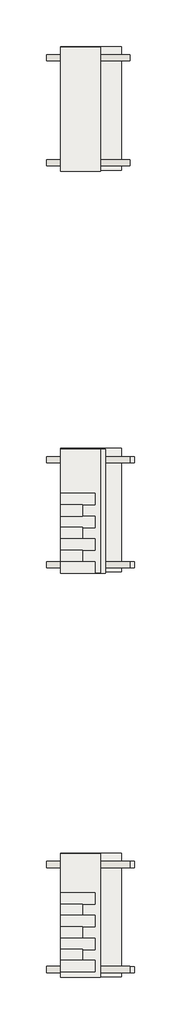
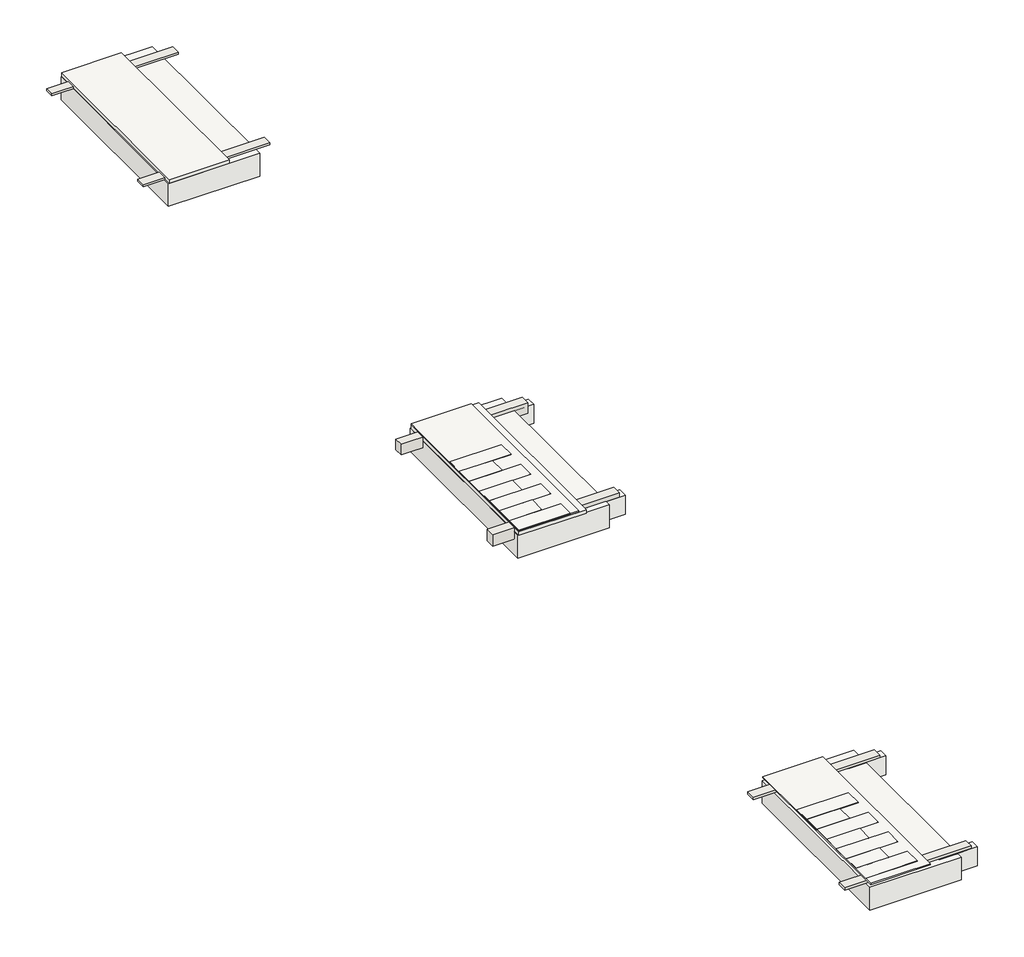
# One storey: 21 slabs, 6 walls, 4 coverings.
"""IFC4 building model written with IfcOpenShell, lengths in millimetres."""

from ifc_helpers import new_model, si_unit, frame, origin, place, context, project, spatial, polyline, outline, extrude, element, save

model = new_model("IFC4")

# Units and contexts
model_context = context("Model", 3, world=origin())
ifc_project = project(units=[si_unit("LENGTHUNIT", "METRE", prefix="MILLI")], contexts=[model_context])

# Site, building, storey
site = spatial("IfcSite", under=ifc_project)
building = spatial("IfcBuilding", under=site)
storey = spatial("IfcBuildingStorey", under=building, Elevation=0.0)

# Coverings
placement = place(None, origin())
element("IfcCovering", 1, at=placement, inside=storey, context=model_context, shape_type="SweptSolid", body=[
    extrude(outline(polyline([(-21506.7749546, -1147.4236855), (-22406.7749546, -1147.4236855), (-22406.7749546, 1657.3048176), (-21506.7749546, 1657.3048176), (-21506.7749546, -1147.4236855)])), frame((0.0, 0.0, 840.0), z_axis=(0.0, 0.0, 1.0), x_axis=(1.0, 0.0, 0.0)), (0.0, 0.0, 1.0), 57.0),
])
element("IfcCovering", 2, at=placement, inside=storey, context=model_context, shape_type="SweptSolid", body=[
    extrude(outline(polyline([(-21506.7749546, -10253.8565694), (-22406.7749546, -10253.8565694), (-22406.7749546, -7449.1280663), (-21506.7749546, -7449.1280663), (-21506.7749546, -10253.8565694)])), frame((0.0, 0.0, 816.7773467), z_axis=(0.0, 0.0, 1.0), x_axis=(1.0, 0.0, 0.0)), (0.0, 0.0, 1.0), 19.0),
])
element("IfcCovering", 3, at=placement, inside=storey, context=model_context, shape_type="SweptSolid", body=[
    extrude(outline(polyline([(-21506.7749546, -19416.693386), (-22406.7749546, -19416.693386), (-22406.7749546, -16611.964883), (-21506.7749546, -16611.964883), (-21506.7749546, -19416.693386)])), frame((0.0, 0.0, 763.0953295), z_axis=(0.0, 0.0, 1.0), x_axis=(1.0, 0.0, 0.0)), (0.0, 0.0, 1.0), 19.0),
])
element("IfcCovering", 4, at=placement, inside=storey, context=model_context, shape_type="SweptSolid", body=[
    extrude(outline(polyline([(-21391.6219224, -10254.9697708), (-22406.7749546, -10254.9697708), (-22406.7749546, -7450.2412677), (-21391.6219224, -7450.2412677), (-21391.6219224, -10254.9697708)])), frame((0.0, 0.0, 760.0), z_axis=(0.0, 0.0, 1.0), x_axis=(1.0, 0.0, 0.0)), (0.0, 0.0, 1.0), 57.0),
])

# Slabs
element("IfcSlab", 5, at=placement, inside=storey, context=model_context, shape_type="SweptSolid", body=[
    extrude(outline(polyline([(-21031.6219224, 1672.338655), (-21031.6219224, -1127.661345), (-22406.7749546, -1127.661345), (-22406.7749546, 1672.338655), (-21031.6219224, 1672.338655)])), frame((0.0, 0.0, 458.0), z_axis=(0.0, 0.0, 1.0), x_axis=(1.0, 0.0, 0.0)), (0.0, 0.0, 1.0), 362.0),
])
element("IfcSlab", 6, at=placement, inside=storey, context=model_context, shape_type="SweptSolid", body=[
    extrude(outline(polyline([(-21031.6219224, -7429.4968101), (-21031.6219224, -10229.4968101), (-22406.7749546, -10229.4968101), (-22406.7749546, -7429.4968101), (-21031.6219224, -7429.4968101)])), frame((0.0, 0.0, 386.4168615), z_axis=(0.0, 0.0, 1.0), x_axis=(1.0, 0.0, 0.0)), (0.0, 0.0, 1.0), 362.0),
])
element("IfcSlab", 7, at=placement, inside=storey, context=model_context, shape_type="SweptSolid", body=[
    extrude(outline(polyline([(-21631.6219224, -9998.2308192), (-21631.6219224, -10256.0447777), (-22406.7749546, -10256.0447777), (-22406.7749546, -9998.2308192), (-21631.6219224, -9998.2308192)])), frame((0.0, 0.0, 838.0), z_axis=(0.0, 0.0, 1.0), x_axis=(1.0, 0.0, 0.0)), (0.0, 0.0, 1.0), 2.0),
])
element("IfcSlab", 8, at=placement, inside=storey, context=model_context, shape_type="SweptSolid", body=[
    extrude(outline(polyline([(-20738.3478009, -7615.5337669), (-20738.3478009, -7755.5337669), (-21313.5008331, -7755.5337669), (-21313.5008331, -7615.5337669), (-20738.3478009, -7615.5337669)])), frame((0.0, 0.0, 445.0), z_axis=(0.0, 0.0, 1.0), x_axis=(1.0, 0.0, 0.0)), (0.0, 0.0, 1.0), 300.0),
])
element("IfcSlab", 9, at=placement, inside=storey, context=model_context, shape_type="SweptSolid", body=[
    extrude(outline(polyline([(-20738.3478009, -9996.1467846), (-20738.3478009, -10136.1467846), (-21313.5008331, -10136.1467846), (-21313.5008331, -9996.1467846), (-20738.3478009, -9996.1467846)])), frame((0.0, 0.0, 445.0), z_axis=(0.0, 0.0, 1.0), x_axis=(1.0, 0.0, 0.0)), (0.0, 0.0, 1.0), 300.0),
])
element("IfcSlab", 10, at=placement, inside=storey, context=model_context, shape_type="SweptSolid", body=[
    extrude(outline(polyline([(-21911.6219224, -9741.3168858), (-21911.6219224, -9999.1308444), (-22406.7749546, -9999.1308444), (-22406.7749546, -9741.3168858), (-21911.6219224, -9741.3168858)])), frame((0.0, 0.0, 838.0), z_axis=(0.0, 0.0, 1.0), x_axis=(1.0, 0.0, 0.0)), (0.0, 0.0, 1.0), 2.0),
])
element("IfcSlab", 11, at=placement, inside=storey, context=model_context, shape_type="SweptSolid", body=[
    extrude(outline(polyline([(-21631.6219224, -9481.2819578), (-21631.6219224, -9739.0959164), (-22406.7749546, -9739.0959164), (-22406.7749546, -9481.2819578), (-21631.6219224, -9481.2819578)])), frame((0.0, 0.0, 838.0), z_axis=(0.0, 0.0, 1.0), x_axis=(1.0, 0.0, 0.0)), (0.0, 0.0, 1.0), 2.0),
])
element("IfcSlab", 12, at=placement, inside=storey, context=model_context, shape_type="SweptSolid", body=[
    extrude(outline(polyline([(-21911.6219224, -9222.4338776), (-21911.6219224, -9480.2478362), (-22406.7749546, -9480.2478362), (-22406.7749546, -9222.4338776), (-21911.6219224, -9222.4338776)])), frame((0.0, 0.0, 837.7215622), z_axis=(0.0, 0.0, 1.0), x_axis=(1.0, 0.0, 0.0)), (0.0, 0.0, 1.0), 2.0),
])
element("IfcSlab", 13, at=placement, inside=storey, context=model_context, shape_type="SweptSolid", body=[
    extrude(outline(polyline([(-21631.6219224, -8965.9999577), (-21631.6219224, -9223.8139162), (-22406.7749546, -9223.8139162), (-22406.7749546, -8965.9999577), (-21631.6219224, -8965.9999577)])), frame((0.0, 0.0, 837.0315429), z_axis=(0.0, 0.0, 1.0), x_axis=(1.0, 0.0, 0.0)), (0.0, 0.0, 1.0), 2.0),
])
element("IfcSlab", 14, at=placement, inside=storey, context=model_context, shape_type="SweptSolid", body=[
    extrude(outline(polyline([(-21031.6219224, -16599.7423431), (-21031.6219224, -19399.7423431), (-22406.7749546, -19399.7423431), (-22406.7749546, -16599.7423431), (-21031.6219224, -16599.7423431)])), frame((0.0, 0.0, 348.7234945), z_axis=(0.0, 0.0, 1.0), x_axis=(1.0, 0.0, 0.0)), (0.0, 0.0, 1.0), 362.0),
])
element("IfcSlab", 15, at=placement, inside=storey, context=model_context, shape_type="SweptSolid", body=[
    extrude(outline(polyline([(-21631.6219224, -19032.5537539), (-21631.6219224, -19290.3677124), (-22406.7749546, -19290.3677124), (-22406.7749546, -19032.5537539), (-21631.6219224, -19032.5537539)])), frame((0.0, 0.0, 790.4818664), z_axis=(0.0, 0.0, 1.0), x_axis=(1.0, 0.0, 0.0)), (0.0, 0.0, 1.0), 2.0),
])
element("IfcSlab", 16, at=placement, inside=storey, context=model_context, shape_type="SweptSolid", body=[
    extrude(outline(polyline([(-20738.3478009, -16786.6869519), (-20738.3478009, -16926.6869519), (-21313.5008331, -16926.6869519), (-21313.5008331, -16786.6869519), (-20738.3478009, -16786.6869519)])), frame((0.0, 0.0, 415.7234945), z_axis=(0.0, 0.0, 1.0), x_axis=(1.0, 0.0, 0.0)), (0.0, 0.0, 1.0), 300.0),
])
element("IfcSlab", 17, at=placement, inside=storey, context=model_context, shape_type="SweptSolid", body=[
    extrude(outline(polyline([(-20738.3478009, -19170.7762766), (-20738.3478009, -19310.7762766), (-21313.5008331, -19310.7762766), (-21313.5008331, -19170.7762766), (-20738.3478009, -19170.7762766)])), frame((0.0, 0.0, 415.7234945), z_axis=(0.0, 0.0, 1.0), x_axis=(1.0, 0.0, 0.0)), (0.0, 0.0, 1.0), 300.0),
])
element("IfcSlab", 18, at=placement, inside=storey, context=model_context, shape_type="SweptSolid", body=[
    extrude(outline(polyline([(-21911.6219224, -18781.7185777), (-21911.6219224, -19039.5325363), (-22406.7749546, -19039.5325363), (-22406.7749546, -18781.7185777), (-21911.6219224, -18781.7185777)])), frame((0.0, 0.0, 790.4818664), z_axis=(0.0, 0.0, 1.0), x_axis=(1.0, 0.0, 0.0)), (0.0, 0.0, 1.0), 2.0),
])
element("IfcSlab", 19, at=placement, inside=storey, context=model_context, shape_type="SweptSolid", body=[
    extrude(outline(polyline([(-21631.6219224, -18528.0918886), (-21631.6219224, -18785.9058472), (-22406.7749546, -18785.9058472), (-22406.7749546, -18528.0918886), (-21631.6219224, -18528.0918886)])), frame((0.0, 0.0, 790.4818664), z_axis=(0.0, 0.0, 1.0), x_axis=(1.0, 0.0, 0.0)), (0.0, 0.0, 1.0), 2.0),
])
element("IfcSlab", 20, at=placement, inside=storey, context=model_context, shape_type="SweptSolid", body=[
    extrude(outline(polyline([(-21911.6219224, -18271.6736865), (-21911.6219224, -18529.4876451), (-22406.7749546, -18529.4876451), (-22406.7749546, -18271.6736865), (-21911.6219224, -18271.6736865)])), frame((0.0, 0.0, 790.4818664), z_axis=(0.0, 0.0, 1.0), x_axis=(1.0, 0.0, 0.0)), (0.0, 0.0, 1.0), 2.0),
])
element("IfcSlab", 21, at=placement, inside=storey, context=model_context, shape_type="SweptSolid", body=[
    extrude(outline(polyline([(-21631.6219224, -18012.4639715), (-21631.6219224, -18270.27793), (-22406.7749546, -18270.27793), (-22406.7749546, -18012.4639715), (-21631.6219224, -18012.4639715)])), frame((0.0, 0.0, 790.4818664), z_axis=(0.0, 0.0, 1.0), x_axis=(1.0, 0.0, 0.0)), (0.0, 0.0, 1.0), 2.0),
])
element("IfcSlab", 22, at=placement, inside=storey, context=model_context, shape_type="SweptSolid", body=[
    extrude(outline(polyline([(-21911.6219224, -8708.1859991), (-21911.6219224, -8965.9999577), (-22406.7749546, -8965.9999577), (-22406.7749546, -8708.1859991), (-21911.6219224, -8708.1859991)])), frame((0.0, 0.0, 837.7215622), z_axis=(0.0, 0.0, 1.0), x_axis=(1.0, 0.0, 0.0)), (0.0, 0.0, 1.0), 2.0),
])
element("IfcSlab", 23, at=placement, inside=storey, context=model_context, shape_type="SweptSolid", body=[
    extrude(outline(polyline([(-21631.6219224, -8450.3720405), (-21631.6219224, -8708.1859991), (-22406.7749546, -8708.1859991), (-22406.7749546, -8450.3720405), (-21631.6219224, -8450.3720405)])), frame((0.0, 0.0, 837.0315429), z_axis=(0.0, 0.0, 1.0), x_axis=(1.0, 0.0, 0.0)), (0.0, 0.0, 1.0), 2.0),
])
element("IfcSlab", 24, at=placement, inside=storey, context=model_context, shape_type="SweptSolid", body=[
    extrude(outline(polyline([(-21911.6219224, -17754.6500129), (-21911.6219224, -18012.4639715), (-22406.7749546, -18012.4639715), (-22406.7749546, -17754.6500129), (-21911.6219224, -17754.6500129)])), frame((0.0, 0.0, 790.4818664), z_axis=(0.0, 0.0, 1.0), x_axis=(1.0, 0.0, 0.0)), (0.0, 0.0, 1.0), 2.0),
])
element("IfcSlab", 25, at=placement, inside=storey, context=model_context, shape_type="SweptSolid", body=[
    extrude(outline(polyline([(-21631.6219224, -17496.8360544), (-21631.6219224, -17754.6500129), (-22406.7749546, -17754.6500129), (-22406.7749546, -17496.8360544), (-21631.6219224, -17496.8360544)])), frame((0.0, 0.0, 790.4818664), z_axis=(0.0, 0.0, 1.0), x_axis=(1.0, 0.0, 0.0)), (0.0, 0.0, 1.0), 2.0),
])

# Walls
element("IfcWall", 26, at=placement, inside=storey, context=model_context, shape_type="SweptSolid", body=[
    extrude(outline(polyline([(-22731.6219224, -893.6952785), (-20831.6219224, -893.6952785), (-20831.6219224, -1033.6952785), (-22731.6219224, -1033.6952785), (-22731.6219224, -893.6952785)])), frame((0.0, 0.0, 826.7773467), z_axis=(0.0, 0.0, 1.0), x_axis=(1.0, 0.0, 0.0)), (0.0, 0.0, 1.0), 33.2226533),
])
element("IfcWall", 27, at=placement, inside=storey, context=model_context, shape_type="SweptSolid", body=[
    extrude(outline(polyline([(-22731.6219224, 1486.3047215), (-20831.6219224, 1486.3047215), (-20831.6219224, 1346.3047215), (-22731.6219224, 1346.3047215), (-22731.6219224, 1486.3047215)])), frame((0.0, 0.0, 826.7773467), z_axis=(0.0, 0.0, 1.0), x_axis=(1.0, 0.0, 0.0)), (0.0, 0.0, 1.0), 33.2226533),
])
element("IfcWall", 28, at=placement, inside=storey, context=model_context, shape_type="SweptSolid", body=[
    extrude(outline(polyline([(-22731.6219224, -9995.5307436), (-20831.6219224, -9995.5307436), (-20831.6219224, -10135.5307436), (-22731.6219224, -10135.5307436), (-22731.6219224, -9995.5307436)])), frame((0.0, 0.0, 633.8716135), z_axis=(0.0, 0.0, 1.0), x_axis=(1.0, 0.0, 0.0)), (0.0, 0.0, 1.0), 181.1283865),
])
element("IfcWall", 29, at=placement, inside=storey, context=model_context, shape_type="SweptSolid", body=[
    extrude(outline(polyline([(-22731.6219224, -7615.5307436), (-20831.6219224, -7615.5307436), (-20831.6219224, -7755.5307436), (-22731.6219224, -7755.5307436), (-22731.6219224, -7615.5307436)])), frame((0.0, 0.0, 639.8274968), z_axis=(0.0, 0.0, 1.0), x_axis=(1.0, 0.0, 0.0)), (0.0, 0.0, 1.0), 165.1725032),
])
element("IfcWall", 30, at=placement, inside=storey, context=model_context, shape_type="SweptSolid", body=[
    extrude(outline(polyline([(-22731.6219224, -19165.7762766), (-20831.6219224, -19165.7762766), (-20831.6219224, -19305.7762766), (-22731.6219224, -19305.7762766), (-22731.6219224, -19165.7762766)])), frame((0.0, 0.0, 720.0), z_axis=(0.0, 0.0, 1.0), x_axis=(1.0, 0.0, 0.0)), (0.0, 0.0, 1.0), 40.0),
])
element("IfcWall", 31, at=placement, inside=storey, context=model_context, shape_type="SweptSolid", body=[
    extrude(outline(polyline([(-22731.6219224, -16785.7762766), (-20831.6219224, -16785.7762766), (-20831.6219224, -16925.7762766), (-22731.6219224, -16925.7762766), (-22731.6219224, -16785.7762766)])), frame((0.0, 0.0, 717.5008412), z_axis=(0.0, 0.0, 1.0), x_axis=(1.0, 0.0, 0.0)), (0.0, 0.0, 1.0), 42.4991588),
])

save(model, "model.ifc")
